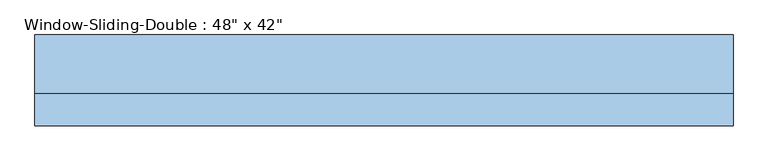
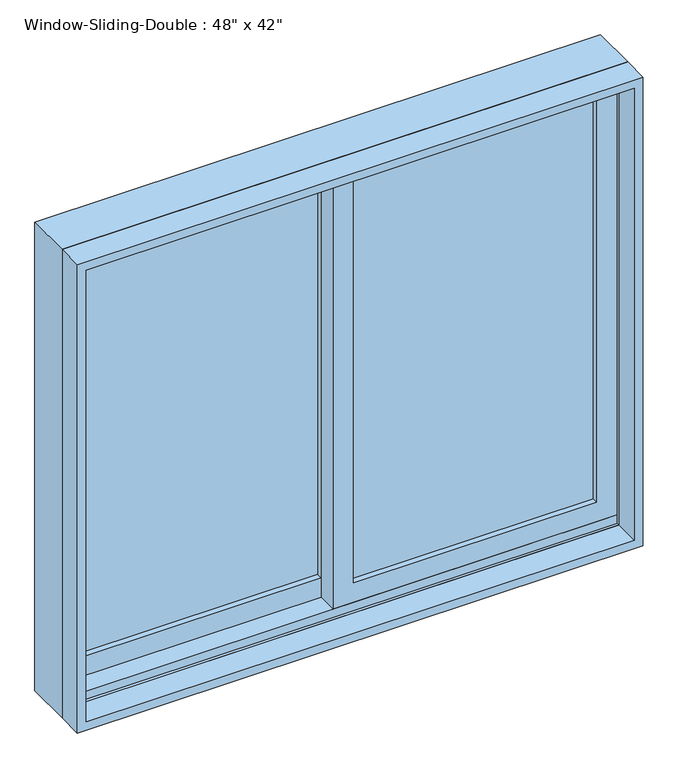
"""IFC4 building model written with IfcOpenShell, lengths in millimetres: window geometry."""

from ifc_helpers import new_model, si_unit, frame, origin, place, context, project, spatial, polyline, outline, extrude, faceted_brep, source, transform, mapped, element, save


def window_b2e51067(model_context):
    return source(origin(), model_context, "Body", "SolidModel", [
        faceted_brep([(-609.6, -16.51, 914.4), (-609.6, 85.09, 914.4), (609.6, 85.09, 914.4), (609.6, -16.51, 914.4), (-568.6778905, 85.09, 1940.2778905), (-568.6778905, 78.74, 1940.2778905), (-568.6778905, 78.74, 933.45), (-568.6778905, 85.09, 933.45), (568.6778905, 78.74, 1940.2778905), (568.6778905, 78.74, 933.45), (590.55, 78.74, 933.45), (590.55, 78.74, 1962.15), (-590.55, 78.74, 1962.15), (-590.55, 78.74, 933.45), (-590.55, -16.51, 1962.15), (-590.55, -16.51, 933.45), (-590.55, -10.16, 933.45), (-590.55, -10.16, 952.5), (-590.55, 34.29, 952.5), (-590.55, 34.29, 933.45), (609.6, -16.51, 1981.2), (-609.6, -16.51, 1981.2), (590.55, -16.51, 1962.15), (590.55, -16.51, 933.45), (-609.6, 85.09, 1981.2), (609.6, 85.09, 1981.2), (568.6778905, 85.09, 933.45), (568.6778905, 85.09, 1940.2778905), (590.55, 34.29, 933.45), (590.55, 34.29, 952.5), (590.55, -10.16, 952.5), (590.55, -10.16, 933.45)], [[[0, 1, 2, 3]], [[4, 5, 6, 7]], [[5, 8, 9, 10, 11, 12, 13, 6]], [[12, 14, 15, 16, 17, 18, 19, 13]], [[0, 3, 20, 21], [22, 23, 15, 14]], [[24, 1, 0, 21]], [[2, 1, 24, 25], [4, 7, 26, 27]], [[5, 4, 27, 8]], [[12, 11, 22, 14]], [[21, 20, 25, 24]], [[8, 27, 26, 9]], [[22, 11, 10, 28, 29, 30, 31, 23]], [[20, 3, 2, 25]], [[26, 7, 6, 13, 19, 28, 10, 9]], [[28, 19, 18, 29]], [[29, 18, 17, 30]], [[30, 17, 16, 31]], [[15, 23, 31, 16]]]),
        extrude(outline(polyline([(1981.2, -609.6), (914.4, -609.6), (914.4, 609.6), (1981.2, 609.6), (1981.2, -609.6)]), holes=[polyline([(1962.15, 590.55), (933.45, 590.55), (933.45, -590.55), (1962.15, -590.55), (1962.15, 590.55)])]), frame((0.0, -73.66, 0.0), z_axis=(0.0, 1.0, 0.0), x_axis=(0.0, 0.0, 1.0)), (0.0, 0.0, 1.0), 57.15),
        extrude(outline(polyline([(546.1, 21.59), (546.1, 15.24), (22.225, 15.24), (22.225, 21.59), (546.1, 21.59)])), frame((0.0, 0.0, 996.95), z_axis=(0.0, 0.0, 1.0), x_axis=(1.0, 0.0, 0.0)), (0.0, 0.0, 1.0), 920.75),
        extrude(outline(polyline([(546.1, 8.89), (546.1, 2.54), (22.225, 2.54), (22.225, 8.89), (546.1, 8.89)])), frame((0.0, 0.0, 996.95), z_axis=(0.0, 0.0, 1.0), x_axis=(1.0, 0.0, 0.0)), (0.0, 0.0, 1.0), 920.75),
        extrude(outline(polyline([(-22.225, 66.04), (-22.225, 59.69), (-546.1, 59.69), (-546.1, 66.04), (-22.225, 66.04)])), frame((0.0, 0.0, 996.95), z_axis=(0.0, 0.0, 1.0), x_axis=(1.0, 0.0, 0.0)), (0.0, 0.0, 1.0), 920.75),
        extrude(outline(polyline([(-22.225, 53.34), (-22.225, 46.99), (-546.1, 46.99), (-546.1, 53.34), (-22.225, 53.34)])), frame((0.0, 0.0, 996.95), z_axis=(0.0, 0.0, 1.0), x_axis=(1.0, 0.0, 0.0)), (0.0, 0.0, 1.0), 920.75),
        extrude(outline(polyline([(933.45, -590.55), (933.45, 22.225), (1962.15, 22.225), (1962.15, -590.55), (933.45, -590.55)]), holes=[polyline([(1917.7, -22.225), (996.95, -22.225), (996.95, -546.1), (1917.7, -546.1), (1917.7, -22.225)])]), frame((0.0, 34.29, 0.0), z_axis=(0.0, 1.0, 0.0), x_axis=(0.0, 0.0, 1.0)), (0.0, 0.0, 1.0), 44.45),
        extrude(outline(polyline([(952.5, 590.55), (1962.15, 590.55), (1962.15, -22.225), (952.5, -22.225), (952.5, 590.55)]), holes=[polyline([(996.95, 22.225), (1917.7, 22.225), (1917.7, 546.1), (996.95, 546.1), (996.95, 22.225)])]), frame((0.0, -10.16, 0.0), z_axis=(0.0, 1.0, 0.0), x_axis=(0.0, 0.0, 1.0)), (0.0, 0.0, 1.0), 44.45),
    ])


if __name__ == "__main__":
    model = new_model("IFC4")
    model_context = context("Model", 3, world=origin())
    ifc_project = project(units=[si_unit("LENGTHUNIT", "METRE", prefix="MILLI")], contexts=[model_context])
    site = spatial("IfcSite", under=ifc_project)
    building = spatial("IfcBuilding", under=site)
    placement = place(None, origin())
    window_shape = window_b2e51067(model_context)
    element("IfcWindow", 1, ObjectType="Window-Sliding-Double : 48\" x 42\"", at=placement, inside=building, context=model_context, shape_type="MappedRepresentation", body=[
        mapped(window_shape, transform((0.0, 0.0, 0.0), x_axis=(1.0, 0.0, 0.0), y_axis=(0.0, 1.0, 0.0), z_axis=(0.0, 0.0, 1.0))),
    ])
    save(model, "model.ifc")
